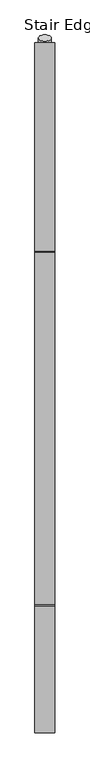
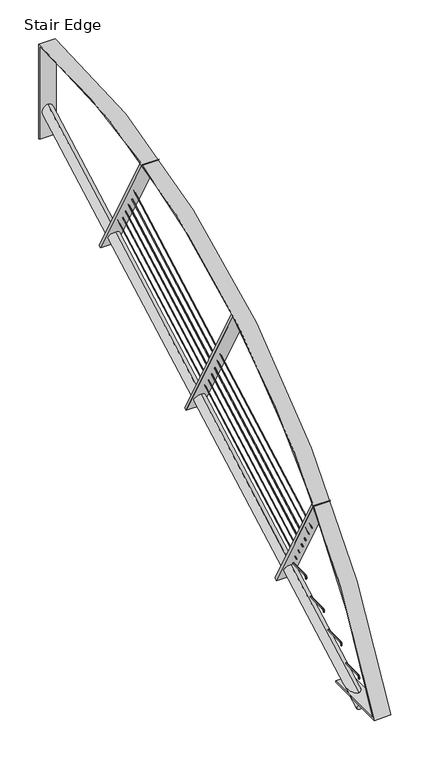
"""IFC4 building model written with IfcOpenShell, lengths in millimetres: railing geometry, Stair Edge."""

from ifc_helpers import new_model, si_unit, point, frame, frame_2d, origin, origin_2d, place, context, project, spatial, polyline, circle_curve, ellipse_curve, trimmed, segment, composite_curve, outline, extrude, source, transform, mapped, element, save
from ifc_brep_helpers import plane_surface, cylinder_surface, revolved_surface, advanced_brep


def stair_edge_129a780c(model_context):
    return source(origin(), model_context, "Body", "SolidModel", [
        advanced_brep(
        [(-2569.8305358, -1910.3516343, 609.6), (-2569.8305358, -1919.8766343, 609.6), (-2569.8305358, -1910.3516343, 622.3), (-2569.8305358, -1919.8766343, 622.3), (-2569.8305358, -1902.4141343, 639.7625), (-2569.8305358, -1902.4141343, 630.2375), (-2569.8305358, -1711.9141343, 630.2375), (-2569.8305358, -1711.9141343, 639.7625)],
        [
            (0, 1, circle_curve(frame((-2569.8305358, -1915.1141343, 609.6), z_axis=(0.0, 0.0, -1.0), x_axis=(0.0, -1.0, 0.0)), 4.7625)),
            (1, 0, circle_curve(frame((-2569.8305358, -1915.1141343, 609.6), z_axis=(0.0, 0.0, -1.0), x_axis=(0.0, -1.0, 0.0)), 4.7625)),
            (0, 2),
            (2, 3, circle_curve(frame((-2569.8305358, -1915.1141343, 622.3), z_axis=(0.0, 0.0, -1.0), x_axis=(0.0, -1.0, 0.0)), 4.7625)),
            (3, 1),
            (3, 2, circle_curve(frame((-2569.8305358, -1915.1141343, 622.3), z_axis=(0.0, 0.0, -1.0), x_axis=(0.0, -1.0, 0.0)), 4.7625)),
            (4, 3, circle_curve(frame((-2569.8305358, -1902.4141343, 622.3), z_axis=(1.0, 0.0, 0.0), x_axis=(0.0, -1.0, 0.0)), 17.4625)),
            (2, 5, circle_curve(frame((-2569.8305358, -1902.4141343, 622.3), z_axis=(-1.0, 0.0, 0.0), x_axis=(0.0, -1.0, 0.0)), 7.9375)),
            (5, 4, circle_curve(frame((-2569.8305358, -1902.4141343, 635.0), z_axis=(0.0, -1.0, 0.0), x_axis=(0.0, 0.0, 1.0)), 4.7625)),
            (4, 5, circle_curve(frame((-2569.8305358, -1902.4141343, 635.0), z_axis=(0.0, -1.0, 0.0), x_axis=(0.0, 0.0, 1.0)), 4.7625)),
            (6, 7, circle_curve(frame((-2569.8305358, -1711.9141343, 635.0), z_axis=(0.0, 1.0, 0.0), x_axis=(0.0, 0.0, 1.0)), 4.7625)),
            (7, 6, circle_curve(frame((-2569.8305358, -1711.9141343, 635.0), z_axis=(0.0, 1.0, 0.0), x_axis=(0.0, 0.0, 1.0)), 4.7625)),
            (5, 6),
            (7, 4),
        ],
        [
            plane_surface(frame((-2569.8305358, -1915.1141343, 609.6), z_axis=(0.0, 0.0, -1.0), x_axis=(1.0, 0.0, 0.0))),
            cylinder_surface(frame((-2569.8305358, -1915.1141343, 609.6), z_axis=(0.0, 0.0, -1.0), x_axis=(0.0, -1.0, 0.0)), 4.7625),
            revolved_surface(trimmed(ellipse_curve(frame((-2569.8305358, -1915.1141343, 622.3), z_axis=(0.0, 0.0, -1.0), x_axis=(0.0, -1.0, 0.0)), 4.7625, 4.7625), [point((-2569.8305358, -1910.3516343, 622.3))], [point((-2569.8305358, -1919.8766343, 622.3))], True, "CARTESIAN"), (-2569.8305358, -1902.4141343, 622.3), (-1.0, 0.0, 0.0)),
            revolved_surface(trimmed(ellipse_curve(frame((-2569.8305358, -1915.1141343, 622.3), z_axis=(0.0, 0.0, -1.0), x_axis=(0.0, -1.0, 0.0)), 4.7625, 4.7625), [point((-2569.8305358, -1919.8766343, 622.3))], [point((-2569.8305358, -1910.3516343, 622.3))], True, "CARTESIAN"), (-2569.8305358, -1902.4141343, 622.3), (-1.0, 0.0, 0.0)),
            plane_surface(frame((-2569.8305358, -1711.9141343, 635.0), z_axis=(0.0, 1.0, 0.0), x_axis=(1.0, 0.0, 0.0))),
            cylinder_surface(frame((-2569.8305358, -1902.4141343, 635.0), z_axis=(0.0, -1.0, 0.0), x_axis=(0.0, 0.0, 1.0)), 4.7625),
        ],
        [
            (0, [[1, 2]]),
            (1, [[-1, 3, 4, 5]]),
            (1, [[-2, -5, 6, -3]]),
            (2, [[7, -4, 8, 9]]),
            (3, [[-8, -6, -7, 10]]),
            (4, [[11, 12]]),
            (5, [[-9, 13, -12, 14]]),
            (5, [[-10, -14, -11, -13]]),
        ],
    ),
        advanced_brep(
        [(-2569.8305358, -2189.7516343, 457.2), (-2569.8305358, -2199.2766343, 457.2), (-2569.8305358, -2189.7516343, 469.9), (-2569.8305358, -2199.2766343, 469.9), (-2569.8305358, -2181.8141343, 487.3625), (-2569.8305358, -2181.8141343, 477.8375), (-2569.8305358, -1991.3141343, 477.8375), (-2569.8305358, -1991.3141343, 487.3625)],
        [
            (0, 1, circle_curve(frame((-2569.8305358, -2194.5141343, 457.2), z_axis=(0.0, 0.0, -1.0), x_axis=(0.0, -1.0, 0.0)), 4.7625)),
            (1, 0, circle_curve(frame((-2569.8305358, -2194.5141343, 457.2), z_axis=(0.0, 0.0, -1.0), x_axis=(0.0, -1.0, 0.0)), 4.7625)),
            (0, 2),
            (2, 3, circle_curve(frame((-2569.8305358, -2194.5141343, 469.9), z_axis=(0.0, 0.0, -1.0), x_axis=(0.0, -1.0, 0.0)), 4.7625)),
            (3, 1),
            (3, 2, circle_curve(frame((-2569.8305358, -2194.5141343, 469.9), z_axis=(0.0, 0.0, -1.0), x_axis=(0.0, -1.0, 0.0)), 4.7625)),
            (4, 3, circle_curve(frame((-2569.8305358, -2181.8141343, 469.9), z_axis=(1.0, 0.0, 0.0), x_axis=(0.0, -1.0, 0.0)), 17.4625)),
            (2, 5, circle_curve(frame((-2569.8305358, -2181.8141343, 469.9), z_axis=(-1.0, 0.0, 0.0), x_axis=(0.0, -1.0, 0.0)), 7.9375)),
            (5, 4, circle_curve(frame((-2569.8305358, -2181.8141343, 482.6), z_axis=(0.0, -1.0, 0.0), x_axis=(0.0, 0.0, 1.0)), 4.7625)),
            (4, 5, circle_curve(frame((-2569.8305358, -2181.8141343, 482.6), z_axis=(0.0, -1.0, 0.0), x_axis=(0.0, 0.0, 1.0)), 4.7625)),
            (6, 7, circle_curve(frame((-2569.8305358, -1991.3141343, 482.6), z_axis=(0.0, 1.0, 0.0), x_axis=(0.0, 0.0, 1.0)), 4.7625)),
            (7, 6, circle_curve(frame((-2569.8305358, -1991.3141343, 482.6), z_axis=(0.0, 1.0, 0.0), x_axis=(0.0, 0.0, 1.0)), 4.7625)),
            (5, 6),
            (7, 4),
        ],
        [
            plane_surface(frame((-2569.8305358, -2194.5141343, 457.2), z_axis=(0.0, 0.0, -1.0), x_axis=(1.0, 0.0, 0.0))),
            cylinder_surface(frame((-2569.8305358, -2194.5141343, 457.2), z_axis=(0.0, 0.0, -1.0), x_axis=(0.0, -1.0, 0.0)), 4.7625),
            revolved_surface(trimmed(ellipse_curve(frame((-2569.8305358, -2194.5141343, 469.9), z_axis=(0.0, 0.0, -1.0), x_axis=(0.0, -1.0, 0.0)), 4.7625, 4.7625), [point((-2569.8305358, -2189.7516343, 469.9))], [point((-2569.8305358, -2199.2766343, 469.9))], True, "CARTESIAN"), (-2569.8305358, -2181.8141343, 469.9), (-1.0, 0.0, 0.0)),
            revolved_surface(trimmed(ellipse_curve(frame((-2569.8305358, -2194.5141343, 469.9), z_axis=(0.0, 0.0, -1.0), x_axis=(0.0, -1.0, 0.0)), 4.7625, 4.7625), [point((-2569.8305358, -2199.2766343, 469.9))], [point((-2569.8305358, -2189.7516343, 469.9))], True, "CARTESIAN"), (-2569.8305358, -2181.8141343, 469.9), (-1.0, 0.0, 0.0)),
            plane_surface(frame((-2569.8305358, -1991.3141343, 482.6), z_axis=(0.0, 1.0, 0.0), x_axis=(1.0, 0.0, 0.0))),
            cylinder_surface(frame((-2569.8305358, -2181.8141343, 482.6), z_axis=(0.0, -1.0, 0.0), x_axis=(0.0, 0.0, 1.0)), 4.7625),
        ],
        [
            (0, [[1, 2]]),
            (1, [[-1, 3, 4, 5]]),
            (1, [[-2, -5, 6, -3]]),
            (2, [[7, -4, 8, 9]]),
            (3, [[-8, -6, -7, 10]]),
            (4, [[11, 12]]),
            (5, [[-9, 13, -12, 14]]),
            (5, [[-10, -14, -11, -13]]),
        ],
    ),
        advanced_brep(
        [(-2569.8305358, -2469.1516343, 304.8), (-2569.8305358, -2478.6766343, 304.8), (-2569.8305358, -2469.1516343, 317.5), (-2569.8305358, -2478.6766343, 317.5), (-2569.8305358, -2461.2141343, 334.9625), (-2569.8305358, -2461.2141343, 325.4375), (-2569.8305358, -2270.7141343, 325.4375), (-2569.8305358, -2270.7141343, 334.9625)],
        [
            (0, 1, circle_curve(frame((-2569.8305358, -2473.9141343, 304.8), z_axis=(0.0, 0.0, -1.0), x_axis=(0.0, -1.0, 0.0)), 4.7625)),
            (1, 0, circle_curve(frame((-2569.8305358, -2473.9141343, 304.8), z_axis=(0.0, 0.0, -1.0), x_axis=(0.0, -1.0, 0.0)), 4.7625)),
            (0, 2),
            (2, 3, circle_curve(frame((-2569.8305358, -2473.9141343, 317.5), z_axis=(0.0, 0.0, -1.0), x_axis=(0.0, -1.0, 0.0)), 4.7625)),
            (3, 1),
            (3, 2, circle_curve(frame((-2569.8305358, -2473.9141343, 317.5), z_axis=(0.0, 0.0, -1.0), x_axis=(0.0, -1.0, 0.0)), 4.7625)),
            (4, 3, circle_curve(frame((-2569.8305358, -2461.2141343, 317.5), z_axis=(1.0, 0.0, 0.0), x_axis=(0.0, -1.0, 0.0)), 17.4625)),
            (2, 5, circle_curve(frame((-2569.8305358, -2461.2141343, 317.5), z_axis=(-1.0, 0.0, 0.0), x_axis=(0.0, -1.0, 0.0)), 7.9375)),
            (5, 4, circle_curve(frame((-2569.8305358, -2461.2141343, 330.2), z_axis=(0.0, -1.0, 0.0), x_axis=(0.0, 0.0, 1.0)), 4.7625)),
            (4, 5, circle_curve(frame((-2569.8305358, -2461.2141343, 330.2), z_axis=(0.0, -1.0, 0.0), x_axis=(0.0, 0.0, 1.0)), 4.7625)),
            (6, 7, circle_curve(frame((-2569.8305358, -2270.7141343, 330.2), z_axis=(0.0, 1.0, 0.0), x_axis=(0.0, 0.0, 1.0)), 4.7625)),
            (7, 6, circle_curve(frame((-2569.8305358, -2270.7141343, 330.2), z_axis=(0.0, 1.0, 0.0), x_axis=(0.0, 0.0, 1.0)), 4.7625)),
            (5, 6),
            (7, 4),
        ],
        [
            plane_surface(frame((-2569.8305358, -2473.9141343, 304.8), z_axis=(0.0, 0.0, -1.0), x_axis=(1.0, 0.0, 0.0))),
            cylinder_surface(frame((-2569.8305358, -2473.9141343, 304.8), z_axis=(0.0, 0.0, -1.0), x_axis=(0.0, -1.0, 0.0)), 4.7625),
            revolved_surface(trimmed(ellipse_curve(frame((-2569.8305358, -2473.9141343, 317.5), z_axis=(0.0, 0.0, -1.0), x_axis=(0.0, -1.0, 0.0)), 4.7625, 4.7625), [point((-2569.8305358, -2469.1516343, 317.5))], [point((-2569.8305358, -2478.6766343, 317.5))], True, "CARTESIAN"), (-2569.8305358, -2461.2141343, 317.5), (-1.0, 0.0, 0.0)),
            revolved_surface(trimmed(ellipse_curve(frame((-2569.8305358, -2473.9141343, 317.5), z_axis=(0.0, 0.0, -1.0), x_axis=(0.0, -1.0, 0.0)), 4.7625, 4.7625), [point((-2569.8305358, -2478.6766343, 317.5))], [point((-2569.8305358, -2469.1516343, 317.5))], True, "CARTESIAN"), (-2569.8305358, -2461.2141343, 317.5), (-1.0, 0.0, 0.0)),
            plane_surface(frame((-2569.8305358, -2270.7141343, 330.2), z_axis=(0.0, 1.0, 0.0), x_axis=(1.0, 0.0, 0.0))),
            cylinder_surface(frame((-2569.8305358, -2461.2141343, 330.2), z_axis=(0.0, -1.0, 0.0), x_axis=(0.0, 0.0, 1.0)), 4.7625),
        ],
        [
            (0, [[1, 2]]),
            (1, [[-1, 3, 4, 5]]),
            (1, [[-2, -5, 6, -3]]),
            (2, [[7, -4, 8, 9]]),
            (3, [[-8, -6, -7, 10]]),
            (4, [[11, 12]]),
            (5, [[-9, 13, -12, 14]]),
            (5, [[-10, -14, -11, -13]]),
        ],
    ),
        advanced_brep(
        [(-2569.8305358, -2748.5516343, 152.4), (-2569.8305358, -2758.0766343, 152.4), (-2569.8305358, -2748.5516343, 165.1), (-2569.8305358, -2758.0766343, 165.1), (-2569.8305358, -2740.6141343, 182.5625), (-2569.8305358, -2740.6141343, 173.0375), (-2569.8305358, -2550.1141343, 173.0375), (-2569.8305358, -2550.1141343, 182.5625)],
        [
            (0, 1, circle_curve(frame((-2569.8305358, -2753.3141343, 152.4), z_axis=(0.0, 0.0, -1.0), x_axis=(0.0, -1.0, 0.0)), 4.7625)),
            (1, 0, circle_curve(frame((-2569.8305358, -2753.3141343, 152.4), z_axis=(0.0, 0.0, -1.0), x_axis=(0.0, -1.0, 0.0)), 4.7625)),
            (0, 2),
            (2, 3, circle_curve(frame((-2569.8305358, -2753.3141343, 165.1), z_axis=(0.0, 0.0, -1.0), x_axis=(0.0, -1.0, 0.0)), 4.7625)),
            (3, 1),
            (3, 2, circle_curve(frame((-2569.8305358, -2753.3141343, 165.1), z_axis=(0.0, 0.0, -1.0), x_axis=(0.0, -1.0, 0.0)), 4.7625)),
            (4, 3, circle_curve(frame((-2569.8305358, -2740.6141343, 165.1), z_axis=(1.0, 0.0, 0.0), x_axis=(0.0, -1.0, 0.0)), 17.4625)),
            (2, 5, circle_curve(frame((-2569.8305358, -2740.6141343, 165.1), z_axis=(-1.0, 0.0, 0.0), x_axis=(0.0, -1.0, 0.0)), 7.9375)),
            (5, 4, circle_curve(frame((-2569.8305358, -2740.6141343, 177.8), z_axis=(0.0, -1.0, 0.0), x_axis=(0.0, 0.0, 1.0)), 4.7625)),
            (4, 5, circle_curve(frame((-2569.8305358, -2740.6141343, 177.8), z_axis=(0.0, -1.0, 0.0), x_axis=(0.0, 0.0, 1.0)), 4.7625)),
            (6, 7, circle_curve(frame((-2569.8305358, -2550.1141343, 177.8), z_axis=(0.0, 1.0, 0.0), x_axis=(0.0, 0.0, 1.0)), 4.7625)),
            (7, 6, circle_curve(frame((-2569.8305358, -2550.1141343, 177.8), z_axis=(0.0, 1.0, 0.0), x_axis=(0.0, 0.0, 1.0)), 4.7625)),
            (5, 6),
            (7, 4),
        ],
        [
            plane_surface(frame((-2569.8305358, -2753.3141343, 152.4), z_axis=(0.0, 0.0, -1.0), x_axis=(1.0, 0.0, 0.0))),
            cylinder_surface(frame((-2569.8305358, -2753.3141343, 152.4), z_axis=(0.0, 0.0, -1.0), x_axis=(0.0, -1.0, 0.0)), 4.7625),
            revolved_surface(trimmed(ellipse_curve(frame((-2569.8305358, -2753.3141343, 165.1), z_axis=(0.0, 0.0, -1.0), x_axis=(0.0, -1.0, 0.0)), 4.7625, 4.7625), [point((-2569.8305358, -2748.5516343, 165.1))], [point((-2569.8305358, -2758.0766343, 165.1))], True, "CARTESIAN"), (-2569.8305358, -2740.6141343, 165.1), (-1.0, 0.0, 0.0)),
            revolved_surface(trimmed(ellipse_curve(frame((-2569.8305358, -2753.3141343, 165.1), z_axis=(0.0, 0.0, -1.0), x_axis=(0.0, -1.0, 0.0)), 4.7625, 4.7625), [point((-2569.8305358, -2758.0766343, 165.1))], [point((-2569.8305358, -2748.5516343, 165.1))], True, "CARTESIAN"), (-2569.8305358, -2740.6141343, 165.1), (-1.0, 0.0, 0.0)),
            plane_surface(frame((-2569.8305358, -2550.1141343, 177.8), z_axis=(0.0, 1.0, 0.0), x_axis=(1.0, 0.0, 0.0))),
            cylinder_surface(frame((-2569.8305358, -2740.6141343, 177.8), z_axis=(0.0, -1.0, 0.0), x_axis=(0.0, 0.0, 1.0)), 4.7625),
        ],
        [
            (0, [[1, 2]]),
            (1, [[-1, 3, 4, 5]]),
            (1, [[-2, -5, 6, -3]]),
            (2, [[7, -4, 8, 9]]),
            (3, [[-8, -6, -7, 10]]),
            (4, [[11, 12]]),
            (5, [[-9, 13, -12, 14]]),
            (5, [[-10, -14, -11, -13]]),
        ],
    ),
        advanced_brep(
        [(-2646.0305358, -3105.4770375, 12.7), (-2646.0305358, -2515.1891343, 12.7), (-2646.0305358, -2515.1891343, 0.0), (-2646.0305358, -3124.6597261, 0.0), (-2646.0305358, 2191.1123717, 3310.9520092), (-2646.0305358, 2191.1123717, 2400.3), (-2646.0305358, 2178.4123717, 2400.3), (-2646.0305358, 2178.4123717, 3298.94591), (-2646.0305358, 577.3088272, 3148.2210265), (-2646.0305358, 1234.3602169, 1949.132352), (-2646.0305358, 1212.0851622, 1936.9265361), (-2646.0305358, 551.8379571, 3141.8474275), (-2646.0305358, -866.7816126, 2559.4311861), (-2646.0305358, -124.3774337, 1204.5775828), (-2646.0305358, -146.6524883, 1192.3717669), (-2646.0305358, -888.6587413, 2546.4991736), (-2646.0305358, -2147.5146445, 1513.8770115), (-2646.0305358, -1549.9809296, 423.4053659), (-2646.0305358, -1572.2559843, 411.19955), (-2646.0305358, -2165.4860793, 1493.8172867), (-2493.6305358, -3105.4770375, 12.7), (-2493.6305358, -2165.4860793, 1493.8172867), (-2493.6305358, -1572.2559843, 411.19955), (-2493.6305358, -1549.9809296, 423.4053659), (-2493.6305358, -2147.5146445, 1513.8770115), (-2493.6305358, -888.6587413, 2546.4991736), (-2493.6305358, -146.6524883, 1192.3717669), (-2493.6305358, -124.3774337, 1204.5775828), (-2493.6305358, -866.7816126, 2559.4311861), (-2493.6305358, 551.8379571, 3141.8474275), (-2493.6305358, 1212.0851622, 1936.9265361), (-2493.6305358, 1234.3602169, 1949.132352), (-2493.6305358, 577.3088272, 3148.2210265), (-2493.6305358, 2178.4123717, 3298.94591), (-2493.6305358, 2178.4123717, 2400.3), (-2493.6305358, 2191.1123717, 2400.3), (-2493.6305358, 2191.1123717, 3310.9520092), (-2493.6305358, -3124.6597261, 0.0), (-2493.6305358, -2515.1891343, 0.0), (-2493.6305358, -2515.1891343, 12.7), (-2569.8305358, -1675.8509314, 600.255581), (-2569.8305358, -1627.0276678, 511.1553625), (-2569.8305358, -1604.7526132, 523.3611784), (-2569.8305358, -1653.5758768, 612.4613969), (-2569.8305358, -250.2474355, 1381.4277978), (-2569.8305358, -201.4241719, 1292.3275794), (-2569.8305358, -179.1491173, 1304.5333952), (-2569.8305358, -227.9723809, 1393.6336137), (-2569.8305358, 1108.4996094, 2125.9654229), (-2569.8305358, 1157.3228729, 2036.8652044), (-2569.8305358, 1179.5979275, 2049.0710203), (-2569.8305358, 1130.774664, 2138.1712388), (-2569.8305358, 2178.4123717, 2712.2337134), (-2569.8305358, 2178.4123717, 2596.3803499), (-2569.8305358, 2191.1123717, 2603.3394288), (-2569.8305358, 2191.1123717, 2719.1927923), (-2569.8305358, -2771.289858, 0.0), (-2569.8305358, -2559.862779, 0.0), (-2569.8305358, -2536.685861, 12.7), (-2569.8305358, -2748.11294, 12.7), (-2569.8305358, -2781.7465374, -121.5831948), (-2569.8305358, -2830.569801, -32.4829763), (-2569.8305358, 2252.4158076, 2636.9311961), (-2569.8305358, 2203.592544, 2726.0314145)],
        [
            (0, 1),
            (1, 2),
            (2, 3),
            (3, 4, circle_curve(frame((-2646.0305358, 1880.200658, -2112.6186856), z_axis=(-1.0, 0.0, 0.0), x_axis=(0.0, 1.0, 0.0)), 5432.4750506)),
            (4, 5),
            (5, 6),
            (6, 7),
            (7, 8, circle_curve(frame((-2646.0305358, 1880.200658, -2112.6186856), z_axis=(1.0, 0.0, 0.0), x_axis=(0.0, 1.0, 0.0)), 5419.7750506)),
            (8, 9),
            (9, 10),
            (10, 11),
            (11, 12, circle_curve(frame((-2646.0305358, 1880.200658, -2112.6186856), z_axis=(1.0, 0.0, 0.0), x_axis=(0.0, 1.0, 0.0)), 5419.7750506)),
            (12, 13),
            (13, 14),
            (14, 15),
            (15, 16, circle_curve(frame((-2646.0305358, 1880.200658, -2112.6186856), z_axis=(1.0, 0.0, 0.0), x_axis=(0.0, 1.0, 0.0)), 5419.7750506)),
            (16, 17),
            (17, 18),
            (18, 19),
            (19, 0, circle_curve(frame((-2646.0305358, 1880.200658, -2112.6186856), z_axis=(1.0, 0.0, 0.0), x_axis=(0.0, 1.0, 0.0)), 5419.7750506)),
            (20, 21, circle_curve(frame((-2493.6305358, 1880.200658, -2112.6186856), z_axis=(-1.0, 0.0, 0.0), x_axis=(0.0, 1.0, 0.0)), 5419.7750506)),
            (21, 22),
            (22, 23),
            (23, 24),
            (24, 25, circle_curve(frame((-2493.6305358, 1880.200658, -2112.6186856), z_axis=(-1.0, 0.0, 0.0), x_axis=(0.0, 1.0, 0.0)), 5419.7750506)),
            (25, 26),
            (26, 27),
            (27, 28),
            (28, 29, circle_curve(frame((-2493.6305358, 1880.200658, -2112.6186856), z_axis=(-1.0, 0.0, 0.0), x_axis=(0.0, 1.0, 0.0)), 5419.7750506)),
            (29, 30),
            (30, 31),
            (31, 32),
            (32, 33, circle_curve(frame((-2493.6305358, 1880.200658, -2112.6186856), z_axis=(-1.0, 0.0, 0.0), x_axis=(0.0, 1.0, 0.0)), 5419.7750506)),
            (33, 34),
            (34, 35),
            (35, 36),
            (36, 37, circle_curve(frame((-2493.6305358, 1880.200658, -2112.6186856), z_axis=(1.0, 0.0, 0.0), x_axis=(0.0, 1.0, 0.0)), 5432.4750506)),
            (37, 38),
            (38, 39),
            (39, 20),
            (19, 21),
            (20, 0),
            (18, 22),
            (40, 41, circle_curve(frame((-2569.8305358, -1651.4392996, 555.7054717), z_axis=(0.0, 0.8769706544818042, 0.4805439326198553), x_axis=(0.0, -0.4805439326198553, 0.8769706544818042)), 50.8)),
            (41, 40, circle_curve(frame((-2569.8305358, -1651.4392996, 555.7054717), z_axis=(0.0, 0.8769706544818042, 0.4805439326198553), x_axis=(0.0, -0.4805439326198553, 0.8769706544818042)), 50.8)),
            (17, 23),
            (16, 24),
            (42, 43, circle_curve(frame((-2569.8305358, -1629.164245, 567.9112876), z_axis=(0.0, -0.8769706544818042, -0.4805439326198553), x_axis=(0.0, -0.4805439326198553, 0.8769706544818042)), 50.8)),
            (43, 42, circle_curve(frame((-2569.8305358, -1629.164245, 567.9112876), z_axis=(0.0, -0.8769706544818042, -0.4805439326198553), x_axis=(0.0, -0.4805439326198553, 0.8769706544818042)), 50.8)),
            (15, 25),
            (14, 26),
            (44, 45, circle_curve(frame((-2569.8305358, -225.8358037, 1336.8776886), z_axis=(0.0, 0.8769706544818042, 0.4805439326198553), x_axis=(0.0, -0.4805439326198553, 0.8769706544818042)), 50.8)),
            (45, 44, circle_curve(frame((-2569.8305358, -225.8358037, 1336.8776886), z_axis=(0.0, 0.8769706544818042, 0.4805439326198553), x_axis=(0.0, -0.4805439326198553, 0.8769706544818042)), 50.8)),
            (13, 27),
            (12, 28),
            (46, 47, circle_curve(frame((-2569.8305358, -203.5607491, 1349.0835045), z_axis=(0.0, -0.8769706544818042, -0.4805439326198553), x_axis=(0.0, -0.4805439326198553, 0.8769706544818042)), 50.8)),
            (47, 46, circle_curve(frame((-2569.8305358, -203.5607491, 1349.0835045), z_axis=(0.0, -0.8769706544818042, -0.4805439326198553), x_axis=(0.0, -0.4805439326198553, 0.8769706544818042)), 50.8)),
            (11, 29),
            (10, 30),
            (48, 49, circle_curve(frame((-2569.8305358, 1132.9112411, 2081.4153137), z_axis=(0.0, 0.8769706544818042, 0.4805439326198553), x_axis=(0.0, -0.4805439326198553, 0.8769706544818042)), 50.8)),
            (49, 48, circle_curve(frame((-2569.8305358, 1132.9112411, 2081.4153137), z_axis=(0.0, 0.8769706544818042, 0.4805439326198553), x_axis=(0.0, -0.4805439326198553, 0.8769706544818042)), 50.8)),
            (9, 31),
            (8, 32),
            (50, 51, circle_curve(frame((-2569.8305358, 1155.1862958, 2093.6211296), z_axis=(0.0, -0.8769706544818042, -0.4805439326198553), x_axis=(0.0, -0.4805439326198553, 0.8769706544818042)), 50.8)),
            (51, 50, circle_curve(frame((-2569.8305358, 1155.1862958, 2093.6211296), z_axis=(0.0, -0.8769706544818042, -0.4805439326198553), x_axis=(0.0, -0.4805439326198553, 0.8769706544818042)), 50.8)),
            (7, 33),
            (6, 34),
            (52, 53, ellipse_curve(frame((-2569.8305358, 2178.4123717, 2654.3070317), z_axis=(0.0, 1.0, 0.0), x_axis=(0.0, 0.0, -0.9999999999999999)), 57.9266817, 50.8)),
            (53, 52, ellipse_curve(frame((-2569.8305358, 2178.4123717, 2654.3070317), z_axis=(0.0, 1.0, 0.0), x_axis=(0.0, 0.0, -0.9999999999999999)), 57.9266817, 50.8)),
            (5, 35),
            (4, 36),
            (54, 55, ellipse_curve(frame((-2569.8305358, 2191.1123717, 2661.2661105), z_axis=(0.0, -1.0, 0.0), x_axis=(0.0, 0.0, -1.0)), 57.9266817, 50.8)),
            (55, 54, ellipse_curve(frame((-2569.8305358, 2191.1123717, 2661.2661105), z_axis=(0.0, -1.0, 0.0), x_axis=(0.0, 0.0, -1.0)), 57.9266817, 50.8)),
            (3, 37),
            (2, 38),
            (56, 57, ellipse_curve(frame((-2569.8305358, -2665.5763185, 0.0), z_axis=(0.0, 0.0, 1.0), x_axis=(0.0, -1.0, 0.0)), 105.7135395, 50.8)),
            (57, 56, ellipse_curve(frame((-2569.8305358, -2665.5763185, 0.0), z_axis=(0.0, 0.0, 1.0), x_axis=(0.0, -1.0, 0.0)), 105.7135395, 50.8)),
            (1, 39),
            (58, 59, ellipse_curve(frame((-2569.8305358, -2642.3994005, 12.7), z_axis=(0.0, 0.0, -1.0), x_axis=(0.0, -1.0, 0.0)), 105.7135395, 50.8)),
            (59, 58, ellipse_curve(frame((-2569.8305358, -2642.3994005, 12.7), z_axis=(0.0, 0.0, -1.0), x_axis=(0.0, -1.0, 0.0)), 105.7135395, 50.8)),
            (60, 61, circle_curve(frame((-2569.8305358, -2806.1581692, -77.0330855), z_axis=(0.0, -0.8769706544818042, -0.4805439326198553), x_axis=(0.0, -0.4805439326198553, 0.8769706544818042)), 50.8)),
            (61, 60, circle_curve(frame((-2569.8305358, -2806.1581692, -77.0330855), z_axis=(0.0, -0.8769706544818042, -0.4805439326198553), x_axis=(0.0, -0.4805439326198553, 0.8769706544818042)), 50.8)),
            (62, 63, circle_curve(frame((-2569.8305358, 2228.0041758, 2681.4813053), z_axis=(0.0, 0.8769706544818042, 0.4805439326198553), x_axis=(0.0, -0.4805439326198553, 0.8769706544818042)), 50.8)),
            (63, 62, circle_curve(frame((-2569.8305358, 2228.0041758, 2681.4813053), z_axis=(0.0, 0.8769706544818042, 0.4805439326198553), x_axis=(0.0, -0.4805439326198553, 0.8769706544818042)), 50.8)),
            (43, 44),
            (45, 42),
            (47, 48),
            (49, 46),
            (51, 52),
            (53, 50),
            (59, 40),
            (41, 58),
            (62, 54),
            (55, 63),
            (61, 56),
            (57, 60),
        ],
        [
            plane_surface(frame((-2646.0305358, 7299.9757086, -2112.6186856), z_axis=(-1.0, 0.0, 0.0), x_axis=(0.0, 0.0, -1.0))),
            plane_surface(frame((-2493.6305358, 7299.9757086, -2112.6186856), z_axis=(1.0, 0.0, 0.0), x_axis=(0.0, 0.0, 1.0))),
            revolved_surface(polyline([(-2493.6305358, 7299.9757086, -2112.6186856), (-2646.0305358, 7299.9757086, -2112.6186856)]), (-2493.6305358, 1880.200658, -2112.6186856), (1.0, 0.0, 0.0)),
            plane_surface(frame((-2646.0305358, -2165.4860793, 1493.8172867), z_axis=(0.0, -0.8769706544818237, -0.48054393261981976), x_axis=(1.0, 0.0, 0.0))),
            plane_surface(frame((-2646.0305358, -1572.2559843, 411.19955), z_axis=(0.0, 0.48054393261979556, -0.876970654481837), x_axis=(1.0, 0.0, 0.0))),
            plane_surface(frame((-2646.0305358, -1549.9809296, 423.4053659), z_axis=(0.0, 0.8769706544818361, 0.4805439326197971), x_axis=(1.0, 0.0, 0.0))),
            plane_surface(frame((-2646.0305358, -888.6587413, 2546.4991736), z_axis=(0.0, -0.876970654481787, -0.4805439326198867), x_axis=(1.0, 0.0, 0.0))),
            plane_surface(frame((-2646.0305358, -146.6524883, 1192.3717669), z_axis=(0.0, 0.4805439326198715, -0.8769706544817953), x_axis=(1.0, 0.0, 0.0))),
            plane_surface(frame((-2646.0305358, -124.3774337, 1204.5775828), z_axis=(0.0, 0.8769706544817971, 0.4805439326198685), x_axis=(1.0, 0.0, 0.0))),
            plane_surface(frame((-2646.0305358, 551.8379571, 3141.8474275), z_axis=(0.0, -0.8769706544818043, -0.48054393261985506), x_axis=(1.0, 0.0, 0.0))),
            plane_surface(frame((-2646.0305358, 1212.0851622, 1936.9265361), z_axis=(0.0, 0.4805439326198404, -0.8769706544818124), x_axis=(1.0, 0.0, 0.0))),
            plane_surface(frame((-2646.0305358, 1234.3602169, 1949.132352), z_axis=(0.0, 0.8769706544818161, 0.4805439326198336), x_axis=(1.0, 0.0, 0.0))),
            plane_surface(frame((-2646.0305358, 2178.4123717, 3298.94591), z_axis=(0.0, -1.0, 0.0), x_axis=(1.0, 0.0, 0.0))),
            plane_surface(frame((-2646.0305358, 2178.4123717, 2400.3), z_axis=(0.0, 0.0, -1.0), x_axis=(1.0, 0.0, 0.0))),
            plane_surface(frame((-2646.0305358, 2191.1123717, 2400.3), z_axis=(0.0, 1.0, 0.0), x_axis=(1.0, 0.0, 0.0))),
            cylinder_surface(frame((-2493.6305358, 1880.200658, -2112.6186856), z_axis=(-1.0, 0.0, 0.0), x_axis=(0.0, 1.0, 0.0)), 5432.4750506),
            plane_surface(frame((-2646.0305358, -3124.6597261, 0.0), z_axis=(0.0, 0.0, -1.0), x_axis=(1.0, 0.0, 0.0))),
            plane_surface(frame((-2646.0305358, -2515.1891343, 0.0), z_axis=(0.0, 1.0, 0.0), x_axis=(1.0, 0.0, 0.0))),
            plane_surface(frame((-2646.0305358, -2515.1891343, 12.7), z_axis=(0.0, 0.0, 1.0), x_axis=(1.0, 0.0, 0.0))),
            plane_surface(frame((-2569.8305358, -2806.1581692, -77.0330855), z_axis=(0.0, -0.8769706544818042, -0.4805439326198553), x_axis=(-1.0, 0.0, 0.0))),
            plane_surface(frame((-2569.8305358, 2228.0041758, 2681.4813053), z_axis=(0.0, 0.8769706544818042, 0.4805439326198553), x_axis=(-1.0, 0.0, 0.0))),
            cylinder_surface(frame((-2569.8305358, -2806.1581692, -77.0330855), z_axis=(0.0, -0.8769706544818042, -0.4805439326198553), x_axis=(0.0, -0.4805439326198553, 0.8769706544818042)), 50.8),
        ],
        [
            (0, [[1, 2, 3, 4, 5, 6, 7, 8, 9, 10, 11, 12, 13, 14, 15, 16, 17, 18, 19, 20]]),
            (1, [[21, 22, 23, 24, 25, 26, 27, 28, 29, 30, 31, 32, 33, 34, 35, 36, 37, 38, 39, 40]]),
            (2, [[41, -21, 42, -20]]),
            (3, [[43, -22, -41, -19], [44, 45]]),
            (4, [[46, -23, -43, -18]]),
            (5, [[47, -24, -46, -17], [48, 49]]),
            (2, [[50, -25, -47, -16]]),
            (6, [[51, -26, -50, -15], [52, 53]]),
            (7, [[54, -27, -51, -14]]),
            (8, [[55, -28, -54, -13], [56, 57]]),
            (2, [[58, -29, -55, -12]]),
            (9, [[59, -30, -58, -11], [60, 61]]),
            (10, [[62, -31, -59, -10]]),
            (11, [[63, -32, -62, -9], [64, 65]]),
            (2, [[66, -33, -63, -8]]),
            (12, [[67, -34, -66, -7], [68, 69]]),
            (13, [[70, -35, -67, -6]]),
            (14, [[71, -36, -70, -5], [72, 73]]),
            (15, [[74, -37, -71, -4]]),
            (16, [[75, -38, -74, -3], [76, 77]]),
            (17, [[78, -39, -75, -2]]),
            (18, [[-42, -40, -78, -1], [79, 80]]),
            (19, [[81, 82]]),
            (20, [[83, 84]]),
            (21, [[-49, 85, -53, 86]]),
            (21, [[-57, 87, -61, 88]]),
            (21, [[-65, 89, -69, 90]]),
            (21, [[-80, 91, -45, 92]]),
            (21, [[93, -73, 94, -83]]),
            (21, [[95, -77, 96, -82]]),
            (21, [[-44, -91, -79, -92]]),
            (21, [[-52, -85, -48, -86]]),
            (21, [[-60, -87, -56, -88]]),
            (21, [[-68, -89, -64, -90]]),
            (21, [[-96, -76, -95, -81]]),
            (21, [[-94, -72, -93, -84]]),
        ],
    ),
        extrude(outline(composite_curve([segment(trimmed(circle_curve(origin_2d(), 3.175), [point((0.0, 3.175))], [point((0.0, -3.1749999))], False, "CARTESIAN"), True, "CONTINUOUS"), segment(trimmed(circle_curve(origin_2d(), 3.175), [point((0.0, -3.1749999))], [point((0.0, 3.175))], False, "CARTESIAN"), True, "CONTINUOUS")], self_intersect=False)), frame((-2569.8305358, -2009.5668739, 1156.3426806), z_axis=(0.0, 0.8769706544818237, 0.48054393261981987), x_axis=(-1.0, 0.0, 0.0)), (0.0, 0.0, 1.0), 3251.2),
        extrude(outline(composite_curve([segment(trimmed(circle_curve(frame_2d((0.0, -101.6)), 3.175), [point((0.0, -98.425))], [point((0.0, -104.775))], False, "CARTESIAN"), True, "CONTINUOUS"), segment(trimmed(circle_curve(frame_2d((0.0, -101.6)), 3.175), [point((0.0, -104.775))], [point((0.0, -98.425))], False, "CARTESIAN"), True, "CONTINUOUS")], self_intersect=False)), frame((-2569.8305358, -2009.5668739, 1156.3426806), z_axis=(0.0, 0.8769706544818237, 0.48054393261981987), x_axis=(-1.0, 0.0, 0.0)), (0.0, 0.0, 1.0), 3251.2),
        extrude(outline(composite_curve([segment(trimmed(circle_curve(frame_2d((0.0, -203.2)), 3.175), [point((0.0, -200.025))], [point((0.0, -206.3749999))], False, "CARTESIAN"), True, "CONTINUOUS"), segment(trimmed(circle_curve(frame_2d((0.0, -203.2)), 3.175), [point((0.0, -206.3749999))], [point((0.0, -200.025))], False, "CARTESIAN"), True, "CONTINUOUS")], self_intersect=False)), frame((-2569.8305358, -2009.5668739, 1156.3426806), z_axis=(0.0, 0.8769706544818237, 0.48054393261981987), x_axis=(-1.0, 0.0, 0.0)), (0.0, 0.0, 1.0), 3251.2),
        extrude(outline(composite_curve([segment(trimmed(circle_curve(frame_2d((0.0, -304.8)), 3.175), [point((0.0, -301.625))], [point((0.0, -307.975))], False, "CARTESIAN"), True, "CONTINUOUS"), segment(trimmed(circle_curve(frame_2d((0.0, -304.8)), 3.175), [point((0.0, -307.975))], [point((0.0, -301.625))], False, "CARTESIAN"), True, "CONTINUOUS")], self_intersect=False)), frame((-2569.8305358, -2009.5668739, 1156.3426806), z_axis=(0.0, 0.8769706544818237, 0.48054393261981987), x_axis=(-1.0, 0.0, 0.0)), (0.0, 0.0, 1.0), 3251.2),
        extrude(outline(composite_curve([segment(trimmed(circle_curve(frame_2d((0.0, -406.4)), 3.175), [point((0.0, -403.2249999))], [point((0.0, -409.575))], False, "CARTESIAN"), True, "CONTINUOUS"), segment(trimmed(circle_curve(frame_2d((0.0, -406.4)), 3.175), [point((0.0, -409.575))], [point((0.0, -403.2249999))], False, "CARTESIAN"), True, "CONTINUOUS")], self_intersect=False)), frame((-2569.8305358, -2009.5668739, 1156.3426806), z_axis=(0.0, 0.8769706544818237, 0.48054393261981987), x_axis=(-1.0, 0.0, 0.0)), (0.0, 0.0, 1.0), 3251.2),
        extrude(outline(composite_curve([segment(trimmed(circle_curve(frame_2d((0.0, -508.0)), 3.175), [point((0.0, -504.8249999))], [point((0.0, -511.175))], False, "CARTESIAN"), True, "CONTINUOUS"), segment(trimmed(circle_curve(frame_2d((0.0, -508.0)), 3.175), [point((0.0, -511.175))], [point((0.0, -504.8249999))], False, "CARTESIAN"), True, "CONTINUOUS")], self_intersect=False)), frame((-2569.8305358, -2009.5668739, 1156.3426806), z_axis=(0.0, 0.8769706544818237, 0.48054393261981987), x_axis=(-1.0, 0.0, 0.0)), (0.0, 0.0, 1.0), 3251.2),
    ])


if __name__ == "__main__":
    model = new_model("IFC4")
    model_context = context("Model", 3, world=origin())
    ifc_project = project(units=[si_unit("LENGTHUNIT", "METRE", prefix="MILLI")], contexts=[model_context])
    site = spatial("IfcSite", under=ifc_project)
    building = spatial("IfcBuilding", under=site)
    placement = place(None, origin())
    stair_edge_shape = stair_edge_129a780c(model_context)
    element("IfcRailing", 1, ObjectType="Stair Edge", at=placement, inside=building, context=model_context, shape_type="MappedRepresentation", body=[
        mapped(stair_edge_shape, transform((0.0, 0.0, 0.0), x_axis=(1.0, 0.0, 0.0), y_axis=(0.0, 1.0, 0.0), z_axis=(0.0, 0.0, 1.0))),
    ])
    save(model, "model.ifc")
